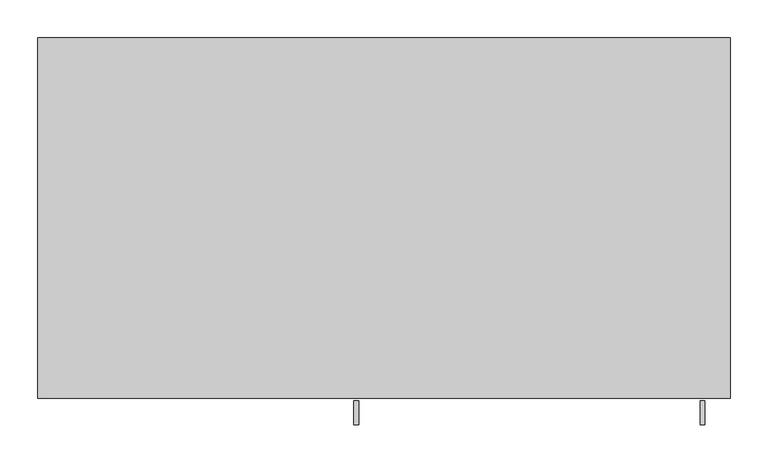
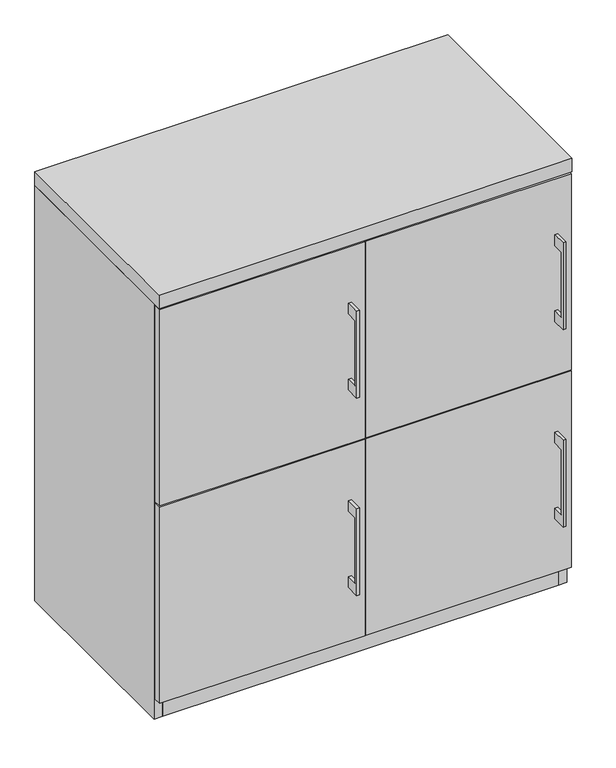
"""IFC4 building model written with IfcOpenShell, lengths in millimetres: furniture geometry."""

from ifc_helpers import new_model, si_unit, frame, origin, origin_with_axes, place, context, project, spatial, polyline, outline, extrude, source, transform, mapped, element, save


def furniture_cb5f4fae(model_context):
    return source(origin(), model_context, "Body", "SweptSolid", [
        extrude(outline(polyline([(-479.425, 815.18125), (-504.8249758, 815.18125), (-504.8249758, 662.78125), (-479.425, 662.78125), (-479.425, 637.38125), (-511.1749879, 637.38125), (-511.1749879, 840.58125), (-479.425, 840.58125), (-479.425, 815.18125)])), frame((417.5125121, 0.0, 0.0), z_axis=(1.0, 0.0, 0.0), x_axis=(0.0, 1.0, 0.0)), (0.0, 0.0, 1.0), 6.3499758),
        extrude(outline(polyline([(455.6125, -476.25), (1.5875, -476.25), (1.5875, -457.2), (455.6125, -457.2), (455.6125, -476.25)])), frame((0.0, 0.0, 509.5875), z_axis=(0.0, 0.0, 1.0), x_axis=(1.0, 0.0, 0.0)), (0.0, 0.0, 1.0), 458.7875),
        extrude(outline(polyline([(-479.425, 815.18125), (-504.8249758, 815.18125), (-504.8249758, 662.78125), (-479.425, 662.78125), (-479.425, 637.38125), (-511.1749879, 637.38125), (-511.1749879, 840.58125), (-479.425, 840.58125), (-479.425, 815.18125)])), frame((-39.6874879, 0.0, 0.0), z_axis=(1.0, 0.0, 0.0), x_axis=(0.0, 1.0, 0.0)), (0.0, 0.0, 1.0), 6.3499758),
        extrude(outline(polyline([(-1.5875, -476.25), (-455.6125, -476.25), (-455.6125, -457.2), (-1.5875, -457.2), (-1.5875, -476.25)])), frame((0.0, 0.0, 509.5875), z_axis=(0.0, 0.0, 1.0), x_axis=(1.0, 0.0, 0.0)), (0.0, 0.0, 1.0), 458.7875),
        extrude(outline(polyline([(-479.425, 353.21875), (-504.8249758, 353.21875), (-504.8249758, 200.81875), (-479.425, 200.81875), (-479.425, 175.41875), (-511.1749879, 175.41875), (-511.1749879, 378.61875), (-479.425, 378.61875), (-479.425, 353.21875)])), frame((417.5125121, 0.0, 0.0), z_axis=(1.0, 0.0, 0.0), x_axis=(0.0, 1.0, 0.0)), (0.0, 0.0, 1.0), 6.3499758),
        extrude(outline(polyline([(455.6125, -476.25), (1.5875, -476.25), (1.5875, -457.2), (455.6125, -457.2), (455.6125, -476.25)])), frame((0.0, 0.0, 47.625), z_axis=(0.0, 0.0, 1.0), x_axis=(1.0, 0.0, 0.0)), (0.0, 0.0, 1.0), 458.7875),
        extrude(outline(polyline([(-479.425, 353.21875), (-504.8249758, 353.21875), (-504.8249758, 200.81875), (-479.425, 200.81875), (-479.425, 175.41875), (-511.1749879, 175.41875), (-511.1749879, 378.61875), (-479.425, 378.61875), (-479.425, 353.21875)])), frame((-39.6874879, 0.0, 0.0), z_axis=(1.0, 0.0, 0.0), x_axis=(0.0, 1.0, 0.0)), (0.0, 0.0, 1.0), 6.3499758),
        extrude(outline(polyline([(-1.5875, -476.25), (-455.6125, -476.25), (-455.6125, -457.2), (-1.5875, -457.2), (-1.5875, -476.25)])), frame((0.0, 0.0, 47.625), z_axis=(0.0, 0.0, 1.0), x_axis=(1.0, 0.0, 0.0)), (0.0, 0.0, 1.0), 458.7875),
        extrude(outline(polyline([(9.525, -19.05), (9.525, -457.2), (-9.525, -457.2), (-9.525, -19.05), (9.525, -19.05)])), frame((0.0, 0.0, 47.625), z_axis=(0.0, 0.0, 1.0), x_axis=(1.0, 0.0, 0.0)), (0.0, 0.0, 1.0), 923.925),
        extrude(outline(polyline([(438.15, -19.05), (438.15, -457.2), (-438.15, -457.2), (-438.15, -19.05), (438.15, -19.05)])), origin_with_axes(), (0.0, 0.0, 1.0), 47.625),
        extrude(outline(polyline([(457.2, 0.0), (457.2, -476.25), (-457.2, -476.25), (-457.2, 0.0), (457.2, 0.0)])), frame((0.0, 0.0, 971.55), z_axis=(0.0, 0.0, 1.0), x_axis=(1.0, 0.0, 0.0)), (0.0, 0.0, 1.0), 31.75),
        extrude(outline(polyline([(457.2, 0.0), (457.2, -457.2), (438.15, -457.2), (438.15, -19.05), (-438.15, -19.05), (-438.15, -457.2), (-457.2, -457.2), (-457.2, 0.0), (457.2, 0.0)])), origin_with_axes(), (0.0, 0.0, 1.0), 971.55),
    ])


if __name__ == "__main__":
    model = new_model("IFC4")
    model_context = context("Model", 3, world=origin())
    ifc_project = project(units=[si_unit("LENGTHUNIT", "METRE", prefix="MILLI")], contexts=[model_context])
    site = spatial("IfcSite", under=ifc_project)
    building = spatial("IfcBuilding", under=site)
    placement = place(None, origin())
    furniture_shape = furniture_cb5f4fae(model_context)
    element("IfcFurniture", 1, at=placement, inside=building, context=model_context, shape_type="MappedRepresentation", body=[
        mapped(furniture_shape, transform((0.0, 0.0, 0.0), x_axis=(1.0, 0.0, 0.0), y_axis=(0.0, 1.0, 0.0), z_axis=(0.0, 0.0, 1.0))),
    ])
    save(model, "model.ifc")
